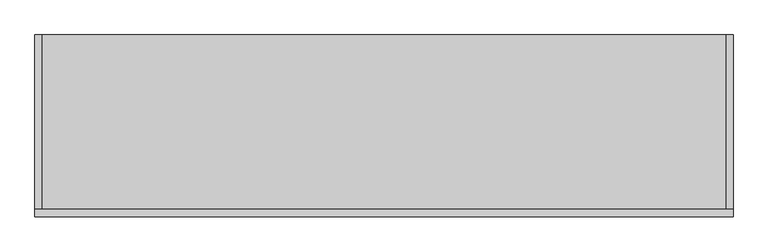
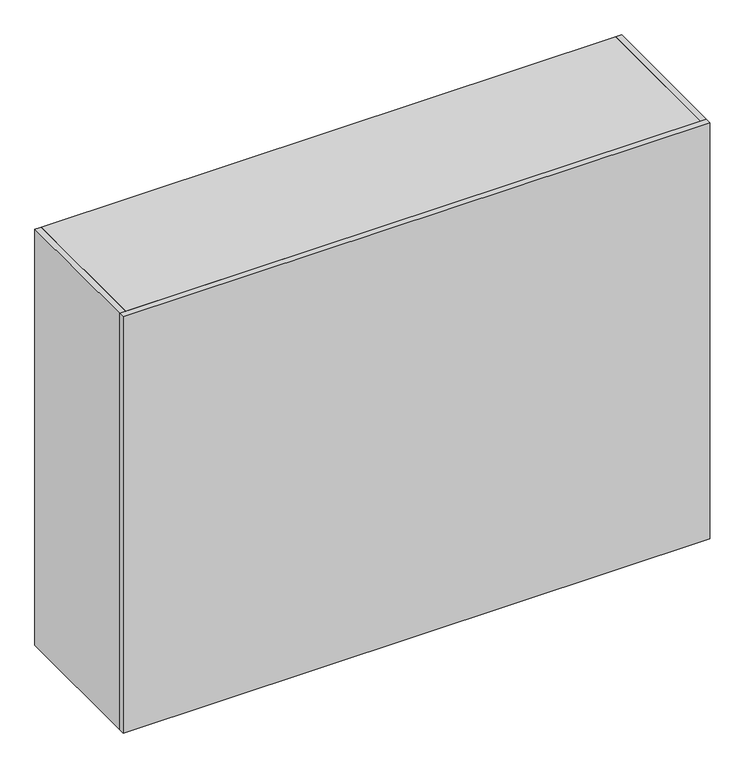
"""IFC4 building model written with IfcOpenShell, lengths in millimetres: furniture geometry."""

import ifcopenshell
import ifcopenshell.guid

model = None  # the IFC model being written
_history = None  # IfcOwnerHistory: only IFC2X3 demands one
_inside = {}  # id of a spatial element -> (the spatial element, [elements in it])
_under = {}  # id of a project, library or spatial element -> (it, [spatial elements below it])
_declared = {}  # id of a project -> (the project, [libraries it declares])
_typed = {}  # id of a type object -> (the type object, [elements of that type])
_made_of = {}  # id of a material, layer set ... -> (it, [elements and type objects made of it])


def new_model(schema):
    """Start an empty IFC model of exactly this schema.

    Asked for "IFC4X3", IfcOpenShell would pick the latest addendum, in which some entities
    have other attributes; the version numbers below select the first issue.
    IFC2X3 requires an IfcOwnerHistory on every rooted entity: one is made here for all.
    """
    global model, _history
    if schema == "IFC4X3":
        model = ifcopenshell.file(schema_version=(4, 3, 0, 0))
    else:
        model = ifcopenshell.file(schema=schema)
    _inside.clear()
    _under.clear()
    _declared.clear()
    _typed.clear()
    _made_of.clear()
    _history = None
    if model.schema == "IFC2X3":
        org = make("IfcOrganization", Name="unknown")
        user = make(
            "IfcPersonAndOrganization",
            ThePerson=make("IfcPerson", FamilyName="unknown"),
            TheOrganization=org,
        )
        app = make(
            "IfcApplication",
            ApplicationDeveloper=org,
            Version="unknown",
            ApplicationFullName="unknown",
            ApplicationIdentifier="unknown",
        )
        _history = make(
            "IfcOwnerHistory",
            OwningUser=user,
            OwningApplication=app,
            ChangeAction="ADDED",
            CreationDate=0,
        )
    return model


def make(cls, **values):
    """One entity of the class cls with the attributes given. An attribute that is None is left unset."""
    return model.create_entity(
        cls, **{name: value for name, value in values.items() if value is not None}
    )


def rooted(cls, **values):
    """An entity with a GlobalId (a new one), such as an element, a storey or a relation."""
    return make(cls, GlobalId=ifcopenshell.guid.new(), OwnerHistory=_history, **values)


def si_unit(unit_type, name, prefix=None):
    """IfcSIUnit, for example si_unit("LENGTHUNIT", "METRE", prefix="MILLI")."""
    return make("IfcSIUnit", UnitType=unit_type, Prefix=prefix, Name=name)


def assignment(units):
    """IfcUnitAssignment: the units of a project."""
    return None if units is None else make("IfcUnitAssignment", Units=units)


def point(xyz):
    """IfcCartesianPoint."""
    return None if xyz is None else make("IfcCartesianPoint", Coordinates=xyz)


def direction(xyz):
    """IfcDirection."""
    return None if xyz is None else make("IfcDirection", DirectionRatios=xyz)


def frame(location, z_axis=None, x_axis=None):
    """IfcAxis2Placement3D, a coordinate frame: its origin and axes. An axis left out is left unset."""
    return make(
        "IfcAxis2Placement3D",
        Location=point(location),
        Axis=direction(z_axis),
        RefDirection=direction(x_axis),
    )


def origin():
    """The frame at (0, 0, 0) with its axes left unset."""
    return frame((0.0, 0.0, 0.0))


def origin_with_axes():
    """The frame at (0, 0, 0) with the z axis (0, 0, 1) and the x axis (1, 0, 0) written out."""
    return frame((0.0, 0.0, 0.0), z_axis=(0.0, 0.0, 1.0), x_axis=(1.0, 0.0, 0.0))


def place(relative_to, where):
    """IfcLocalPlacement: puts the frame where relative to a parent placement (None: the world)."""
    return make(
        "IfcLocalPlacement", PlacementRelTo=relative_to, RelativePlacement=where
    )


def context(
    kind, dimensions, precision=None, world=None, true_north=None, identifier=None
):
    """IfcGeometricRepresentationContext, for example the 3D "Model" context."""
    return make(
        "IfcGeometricRepresentationContext",
        ContextIdentifier=identifier,
        ContextType=kind,
        CoordinateSpaceDimension=dimensions,
        Precision=precision,
        WorldCoordinateSystem=world,
        TrueNorth=true_north,
    )


def project(units=None, contexts=None):
    """IfcProject with its units and contexts."""
    return rooted(
        "IfcProject",
        Name="project",
        RepresentationContexts=contexts,
        UnitsInContext=assignment(units),
    )


def spatial(cls, under=None, at=None, **own):
    """A site, building, storey or space (cls), placed at a placement, below another one or the project."""
    s = rooted(cls, ObjectPlacement=at, **own)
    if under is not None:
        _under.setdefault(under.id(), (under, []))[1].append(s)
    return s


def polyline(points):
    """IfcPolyline through the points."""
    return make("IfcPolyline", Points=[point(p) for p in points])


def outline(outer, holes=None, kind="AREA"):
    """IfcArbitraryClosedProfileDef: a profile drawn as a closed curve; with holes, ...WithVoids."""
    if holes is None:
        return make("IfcArbitraryClosedProfileDef", ProfileType=kind, OuterCurve=outer)
    return make(
        "IfcArbitraryProfileDefWithVoids",
        ProfileType=kind,
        OuterCurve=outer,
        InnerCurves=holes,
    )


def extrude(swept, where, along, depth):
    """IfcExtrudedAreaSolid: the profile swept, set in the frame where, extruded along a direction by depth."""
    return make(
        "IfcExtrudedAreaSolid",
        SweptArea=swept,
        Position=where,
        ExtrudedDirection=direction(along),
        Depth=depth,
    )


def shape(context_of_items, identifier, shape_type, items):
    """IfcShapeRepresentation: the items that make up one representation, for example the "Body"."""
    return make(
        "IfcShapeRepresentation",
        ContextOfItems=context_of_items,
        RepresentationIdentifier=identifier,
        RepresentationType=shape_type,
        Items=items,
    )


def source(mapping_origin, context_of_items, identifier, shape_type, items):
    """IfcRepresentationMap: a shape defined once, which mapped items show again and again."""
    return make(
        "IfcRepresentationMap",
        MappingOrigin=mapping_origin,
        MappedRepresentation=shape(context_of_items, identifier, shape_type, items),
    )


def transform(
    local_origin,
    x_axis=None,
    y_axis=None,
    z_axis=None,
    scale=None,
    scale2=None,
    scale3=None,
    uniform=True,
):
    """IfcCartesianTransformationOperator3D, or its non-uniform kind. x_axis, y_axis, z_axis: its Axis1, 2, 3."""
    if uniform:
        return make(
            "IfcCartesianTransformationOperator3D",
            Axis1=direction(x_axis),
            Axis2=direction(y_axis),
            LocalOrigin=point(local_origin),
            Scale=scale,
            Axis3=direction(z_axis),
        )
    return make(
        "IfcCartesianTransformationOperator3DnonUniform",
        Axis1=direction(x_axis),
        Axis2=direction(y_axis),
        LocalOrigin=point(local_origin),
        Scale=scale,
        Axis3=direction(z_axis),
        Scale2=scale2,
        Scale3=scale3,
    )


def mapped(mapping_source, mapping_target):
    """IfcMappedItem: shows the shape of a source again, moved by a transform."""
    return make(
        "IfcMappedItem", MappingSource=mapping_source, MappingTarget=mapping_target
    )


def made_of(thing, what):
    """Note that an element or type object is made of a material, layer set ...; save() writes the relation."""
    if what is not None:
        _made_of.setdefault(what.id(), (what, []))[1].append(thing)
    return thing


def element(
    cls,
    number,
    at=None,
    inside=None,
    cuts=None,
    type_object=None,
    material=None,
    context=None,
    identifier="Body",
    shape_type=None,
    held_by="IfcProductDefinitionShape",
    body=None,
    shapes=None,
    **own,
):
    """One element of the class cls, such as IfcWall. Its Tag is "e" and its number.

    at: its placement. inside: the storey or other place that contains it. cuts: it is an
    opening in that element (IfcRelVoidsElement). A single representation is given by context,
    identifier, shape_type and body (its items); several are given by shapes. held_by: the class
    of the entity that holds the representations. save() writes the other relations.
    """
    e = rooted(cls, Tag="e%d" % number, ObjectPlacement=at, **own)
    if body is not None:
        shapes = [shape(context, identifier, shape_type, body)]
    if shapes is not None:
        e.Representation = make(held_by, Representations=shapes)
    if inside is not None:
        _inside.setdefault(inside.id(), (inside, []))[1].append(e)
    if cuts is not None:
        rooted(
            "IfcRelVoidsElement", RelatingBuildingElement=cuts, RelatedOpeningElement=e
        )
    if type_object is not None:
        _typed.setdefault(type_object.id(), (type_object, []))[1].append(e)
    return made_of(e, material)


def aggregate(whole, parts):
    """IfcRelAggregates: a whole, such as a stair, and the parts it consists of."""
    return rooted("IfcRelAggregates", RelatingObject=whole, RelatedObjects=parts)


def save(model, path):
    """Write the relations noted so far, then the file.

    IfcRelAggregates (storeys below a building ...), IfcRelContainedInSpatialStructure (elements
    in a storey), IfcRelDefinesByType, IfcRelAssociatesMaterial and IfcRelDeclares: one each for
    every whole, place, type object, material and project.
    """
    for whole, parts in _under.values():
        aggregate(whole, parts)
    for where, things in _inside.values():
        rooted(
            "IfcRelContainedInSpatialStructure",
            RelatedElements=things,
            RelatingStructure=where,
        )
    for kind, things in _typed.values():
        rooted("IfcRelDefinesByType", RelatedObjects=things, RelatingType=kind)
    for what, things in _made_of.values():
        rooted("IfcRelAssociatesMaterial", RelatedObjects=things, RelatingMaterial=what)
    for by, libraries in _declared.values():
        rooted("IfcRelDeclares", RelatingContext=by, RelatedDefinitions=libraries)
    model.write(path)


def furniture_f166fbf3(model_context):
    return source(origin(), model_context, "Body", "SweptSolid", [
        extrude(outline(polyline([(2438.4, -25.4), (0.0, -25.4), (0.0, 0.0), (2438.4, 0.0), (2438.4, -25.4)])), origin_with_axes(), (0.0, 0.0, 1.0), 1828.8),
        extrude(outline(polyline([(2235.2, 609.6), (2260.6, 609.6), (2260.6, 0.0), (2235.2, 0.0), (2235.2, 609.6)])), frame((0.0, 0.0, 635.0), z_axis=(0.0, 0.0, 1.0), x_axis=(1.0, 0.0, 0.0)), (0.0, 0.0, 1.0), 584.2),
        extrude(outline(polyline([(203.2, 609.6), (203.2, 0.0), (177.8, 0.0), (177.8, 609.6), (203.2, 609.6)])), frame((0.0, 0.0, 635.0), z_axis=(0.0, 0.0, 1.0), x_axis=(1.0, 0.0, 0.0)), (0.0, 0.0, 1.0), 584.2),
        extrude(outline(polyline([(2146.3, 609.6), (2146.3, 0.0), (2120.9, 0.0), (2120.9, 609.6), (2146.3, 609.6)])), frame((0.0, 0.0, 1549.4), z_axis=(0.0, 0.0, 1.0), x_axis=(1.0, 0.0, 0.0)), (0.0, 0.0, 1.0), 254.0),
        extrude(outline(polyline([(1841.5, 609.6), (1841.5, 0.0), (1816.1, 0.0), (1816.1, 609.6), (1841.5, 609.6)])), frame((0.0, 0.0, 1549.4), z_axis=(0.0, 0.0, 1.0), x_axis=(1.0, 0.0, 0.0)), (0.0, 0.0, 1.0), 254.0),
        extrude(outline(polyline([(1536.7, 609.6), (1536.7, 0.0), (1511.3, 0.0), (1511.3, 609.6), (1536.7, 609.6)])), frame((0.0, 0.0, 1549.4), z_axis=(0.0, 0.0, 1.0), x_axis=(1.0, 0.0, 0.0)), (0.0, 0.0, 1.0), 254.0),
        extrude(outline(polyline([(1231.9, 609.6), (1231.9, 0.0), (1206.5, 0.0), (1206.5, 609.6), (1231.9, 609.6)])), frame((0.0, 0.0, 1549.4), z_axis=(0.0, 0.0, 1.0), x_axis=(1.0, 0.0, 0.0)), (0.0, 0.0, 1.0), 254.0),
        extrude(outline(polyline([(927.1, 609.6), (927.1, 0.0), (901.7, 0.0), (901.7, 609.6), (927.1, 609.6)])), frame((0.0, 0.0, 1549.4), z_axis=(0.0, 0.0, 1.0), x_axis=(1.0, 0.0, 0.0)), (0.0, 0.0, 1.0), 254.0),
        extrude(outline(polyline([(622.3, 609.6), (622.3, 0.0), (596.9, 0.0), (596.9, 609.6), (622.3, 609.6)])), frame((0.0, 0.0, 1549.4), z_axis=(0.0, 0.0, 1.0), x_axis=(1.0, 0.0, 0.0)), (0.0, 0.0, 1.0), 254.0),
        extrude(outline(polyline([(317.5, 609.6), (317.5, 0.0), (292.1, 0.0), (292.1, 609.6), (317.5, 609.6)])), frame((0.0, 0.0, 1549.4), z_axis=(0.0, 0.0, 1.0), x_axis=(1.0, 0.0, 0.0)), (0.0, 0.0, 1.0), 254.0),
        extrude(outline(polyline([(2146.3, 609.6), (2146.3, 0.0), (2120.9, 0.0), (2120.9, 609.6), (2146.3, 609.6)])), frame((0.0, 0.0, 25.4), z_axis=(0.0, 0.0, 1.0), x_axis=(1.0, 0.0, 0.0)), (0.0, 0.0, 1.0), 279.4),
        extrude(outline(polyline([(1841.5, 609.6), (1841.5, 0.0), (1816.1, 0.0), (1816.1, 609.6), (1841.5, 609.6)])), frame((0.0, 0.0, 25.4), z_axis=(0.0, 0.0, 1.0), x_axis=(1.0, 0.0, 0.0)), (0.0, 0.0, 1.0), 279.4),
        extrude(outline(polyline([(1536.7, 609.6), (1536.7, 0.0), (1511.3, 0.0), (1511.3, 609.6), (1536.7, 609.6)])), frame((0.0, 0.0, 25.4), z_axis=(0.0, 0.0, 1.0), x_axis=(1.0, 0.0, 0.0)), (0.0, 0.0, 1.0), 279.4),
        extrude(outline(polyline([(1231.9, 609.6), (1231.9, 0.0), (1206.5, 0.0), (1206.5, 609.6), (1231.9, 609.6)])), frame((0.0, 0.0, 25.4), z_axis=(0.0, 0.0, 1.0), x_axis=(1.0, 0.0, 0.0)), (0.0, 0.0, 1.0), 279.4),
        extrude(outline(polyline([(927.1, 609.6), (927.1, 0.0), (901.7, 0.0), (901.7, 609.6), (927.1, 609.6)])), frame((0.0, 0.0, 25.4), z_axis=(0.0, 0.0, 1.0), x_axis=(1.0, 0.0, 0.0)), (0.0, 0.0, 1.0), 279.4),
        extrude(outline(polyline([(622.3, 609.6), (622.3, 0.0), (596.9, 0.0), (596.9, 609.6), (622.3, 609.6)])), frame((0.0, 0.0, 25.4), z_axis=(0.0, 0.0, 1.0), x_axis=(1.0, 0.0, 0.0)), (0.0, 0.0, 1.0), 279.4),
        extrude(outline(polyline([(317.5, 609.6), (317.5, 0.0), (292.1, 0.0), (292.1, 609.6), (317.5, 609.6)])), frame((0.0, 0.0, 25.4), z_axis=(0.0, 0.0, 1.0), x_axis=(1.0, 0.0, 0.0)), (0.0, 0.0, 1.0), 279.4),
        extrude(outline(polyline([(2260.6, 0.0), (177.8, 0.0), (177.8, 609.6), (2260.6, 609.6), (2260.6, 0.0)])), frame((0.0, 0.0, 1219.2), z_axis=(0.0, 0.0, 1.0), x_axis=(1.0, 0.0, 0.0)), (0.0, 0.0, 1.0), 25.4),
        extrude(outline(polyline([(2235.2, 0.0), (203.2, 0.0), (203.2, 609.6), (2235.2, 609.6), (2235.2, 0.0)])), frame((0.0, 0.0, 914.4), z_axis=(0.0, 0.0, 1.0), x_axis=(1.0, 0.0, 0.0)), (0.0, 0.0, 1.0), 25.4),
        extrude(outline(polyline([(2413.0, 0.0), (25.4, 0.0), (25.4, 609.6), (2413.0, 609.6), (2413.0, 0.0)])), frame((0.0, 0.0, 1524.0), z_axis=(0.0, 0.0, 1.0), x_axis=(1.0, 0.0, 0.0)), (0.0, 0.0, 1.0), 25.4),
        extrude(outline(polyline([(2260.6, 0.0), (177.8, 0.0), (177.8, 609.6), (2260.6, 609.6), (2260.6, 0.0)])), frame((0.0, 0.0, 609.6), z_axis=(0.0, 0.0, 1.0), x_axis=(1.0, 0.0, 0.0)), (0.0, 0.0, 1.0), 25.4),
        extrude(outline(polyline([(2413.0, 0.0), (25.4, 0.0), (25.4, 609.6), (2413.0, 609.6), (2413.0, 0.0)])), frame((0.0, 0.0, 304.8), z_axis=(0.0, 0.0, 1.0), x_axis=(1.0, 0.0, 0.0)), (0.0, 0.0, 1.0), 25.4),
        extrude(outline(polyline([(2413.0, 0.0), (25.4, 0.0), (25.4, 609.6), (2413.0, 609.6), (2413.0, 0.0)])), frame((0.0, 0.0, 1803.4), z_axis=(0.0, 0.0, 1.0), x_axis=(1.0, 0.0, 0.0)), (0.0, 0.0, 1.0), 25.4),
        extrude(outline(polyline([(2438.4, 609.6), (2438.4, 0.0), (2413.0, 0.0), (2413.0, 609.6), (2438.4, 609.6)])), origin_with_axes(), (0.0, 0.0, 1.0), 1828.8),
        extrude(outline(polyline([(25.4, 609.6), (25.4, 0.0), (0.0, 0.0), (0.0, 609.6), (25.4, 609.6)])), origin_with_axes(), (0.0, 0.0, 1.0), 1828.8),
        extrude(outline(polyline([(2413.0, 0.0), (25.4, 0.0), (25.4, 609.6), (2413.0, 609.6), (2413.0, 0.0)])), origin_with_axes(), (0.0, 0.0, 1.0), 25.4),
    ])


if __name__ == "__main__":
    model = new_model("IFC4")
    model_context = context("Model", 3, world=origin())
    ifc_project = project(units=[si_unit("LENGTHUNIT", "METRE", prefix="MILLI")], contexts=[model_context])
    site = spatial("IfcSite", under=ifc_project)
    building = spatial("IfcBuilding", under=site)
    placement = place(None, origin())
    furniture_shape = furniture_f166fbf3(model_context)
    element("IfcFurniture", 1, at=placement, inside=building, context=model_context, shape_type="MappedRepresentation", body=[
        mapped(furniture_shape, transform((0.0, 0.0, 0.0), x_axis=(1.0, 0.0, 0.0), y_axis=(0.0, 1.0, 0.0), z_axis=(0.0, 0.0, 1.0))),
    ])
    save(model, "model.ifc")
